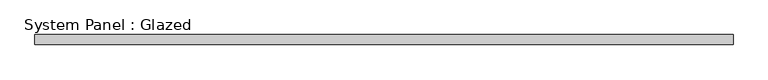
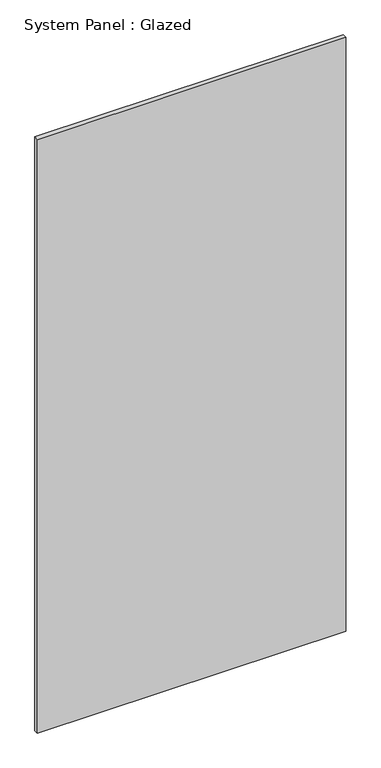
"""IFC4 building model written with IfcOpenShell, lengths in millimetres: plate geometry, System Panel : Glazed."""

from ifc_helpers import new_model, si_unit, origin, origin_with_axes, place, context, project, spatial, polyline, outline, extrude, source, transform, mapped, element, save


def system_panel_glazed_7e07fde3(model_context):
    return source(origin(), model_context, "Body", "SweptSolid", [
        extrude(outline(polyline([(882.65, 19.05), (-882.65, 19.05), (-882.65, 44.45), (882.65, 44.45), (882.65, 19.05)])), origin_with_axes(), (0.0, 0.0, 1.0), 3594.1),
    ])


if __name__ == "__main__":
    model = new_model("IFC4")
    model_context = context("Model", 3, world=origin())
    ifc_project = project(units=[si_unit("LENGTHUNIT", "METRE", prefix="MILLI")], contexts=[model_context])
    site = spatial("IfcSite", under=ifc_project)
    building = spatial("IfcBuilding", under=site)
    placement = place(None, origin())
    system_panel_glazed_shape = system_panel_glazed_7e07fde3(model_context)
    element("IfcPlate", 1, ObjectType="System Panel : Glazed", at=placement, inside=building, context=model_context, shape_type="MappedRepresentation", body=[
        mapped(system_panel_glazed_shape, transform((0.0, 0.0, 0.0), x_axis=(1.0, 0.0, 0.0), y_axis=(0.0, 1.0, 0.0), z_axis=(0.0, 0.0, 1.0))),
    ])
    save(model, "model.ifc")
